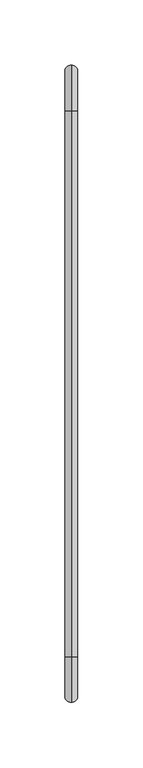
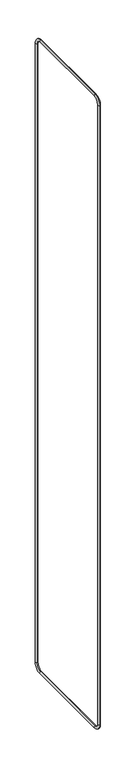
"""IFC4 building model written with IfcOpenShell, lengths in millimetres: beam geometry."""

from ifc_helpers import new_model, si_unit, point, frame, origin, place, context, project, spatial, circle_curve, ellipse_curve, trimmed, source, transform, mapped, element, save
from ifc_brep_helpers import cylinder_surface, revolved_surface, advanced_brep


def beam_3977fd45(model_context):
    return source(origin(), model_context, "Body", "AdvancedBrep", [
        advanced_brep(
        [(0.0, 289.5, 41.2687306), (0.0, 264.5, 16.2687306), (0.0, 264.5, 6.2687306), (0.0, 299.5, 41.2687306), (0.0, -155.5, 6.2687306), (0.0, -155.5, 16.2687306), (0.0, 289.5, 2950.0), (0.0, 299.5, 2950.0), (0.0, -190.5, 2950.0), (0.0, -180.5, 2950.0), (0.0, -180.5, 41.2687306), (0.0, -190.5, 41.2687306), (0.0, 264.5, 2985.0), (0.0, 264.5, 2975.0), (0.0, -155.5, 2975.0), (0.0, -155.5, 2985.0)],
        [
            (0, 1, circle_curve(frame((0.0, 264.5, 41.2687306), z_axis=(-1.0, 0.0, 0.0), x_axis=(0.0, 0.0, -1.0)), 25.0)),
            (1, 2, circle_curve(frame((0.0, 264.5, 11.2687306), z_axis=(0.0, 1.0, 0.0), x_axis=(0.0, 0.0, 1.0)), 5.0)),
            (2, 3, circle_curve(frame((0.0, 264.5, 41.2687306), z_axis=(1.0, 0.0, 0.0), x_axis=(0.0, 0.0, -1.0)), 35.0)),
            (3, 0, circle_curve(frame((0.0, 294.5, 41.2687306), z_axis=(0.0, 0.0, -1.0), x_axis=(0.0, -1.0, 0.0)), 5.0)),
            (2, 1, circle_curve(frame((0.0, 264.5, 11.2687306), z_axis=(0.0, 1.0, 0.0), x_axis=(0.0, 0.0, 1.0)), 5.0)),
            (0, 3, circle_curve(frame((0.0, 294.5, 41.2687306), z_axis=(0.0, 0.0, -1.0), x_axis=(0.0, -1.0, 0.0)), 5.0)),
            (4, 5, circle_curve(frame((0.0, -155.5, 11.2687306), z_axis=(0.0, 1.0, 0.0), x_axis=(0.0, 0.0, 1.0)), 5.0)),
            (5, 1),
            (2, 4),
            (0, 6),
            (6, 7, circle_curve(frame((0.0, 294.5, 2950.0), z_axis=(0.0, 0.0, -1.0), x_axis=(0.0, -1.0, 0.0)), 5.0)),
            (7, 3),
            (5, 4, circle_curve(frame((0.0, -155.5, 11.2687306), z_axis=(0.0, 1.0, 0.0), x_axis=(0.0, 0.0, 1.0)), 5.0)),
            (7, 6, circle_curve(frame((0.0, 294.5, 2950.0), z_axis=(0.0, 0.0, -1.0), x_axis=(0.0, -1.0, 0.0)), 5.0)),
            (8, 9, circle_curve(frame((0.0, -185.5, 2950.0), z_axis=(0.0, 0.0, -1.0), x_axis=(0.0, 1.0, 0.0)), 5.0)),
            (9, 10),
            (10, 11, circle_curve(frame((0.0, -185.5, 41.2687306), z_axis=(0.0, 0.0, 1.0), x_axis=(0.0, 1.0, 0.0)), 5.0)),
            (11, 8),
            (9, 8, circle_curve(frame((0.0, -185.5, 2950.0), z_axis=(0.0, 0.0, -1.0), x_axis=(0.0, 1.0, 0.0)), 5.0)),
            (11, 10, circle_curve(frame((0.0, -185.5, 41.2687306), z_axis=(0.0, 0.0, 1.0), x_axis=(0.0, 1.0, 0.0)), 5.0)),
            (4, 11, circle_curve(frame((0.0, -155.5, 41.2687306), z_axis=(-1.0, 0.0, 0.0), x_axis=(0.0, -1.0, 0.0)), 35.0)),
            (10, 5, circle_curve(frame((0.0, -155.5, 41.2687306), z_axis=(1.0, 0.0, 0.0), x_axis=(0.0, -1.0, 0.0)), 25.0)),
            (12, 7, circle_curve(frame((0.0, 264.5, 2950.0), z_axis=(-1.0, 0.0, 0.0), x_axis=(0.0, 1.0, 0.0)), 35.0)),
            (6, 13, circle_curve(frame((0.0, 264.5, 2950.0), z_axis=(1.0, 0.0, 0.0), x_axis=(0.0, 1.0, 0.0)), 25.0)),
            (13, 12, circle_curve(frame((0.0, 264.5, 2980.0), z_axis=(0.0, 1.0, 0.0), x_axis=(0.0, 0.0, -1.0)), 5.0)),
            (12, 13, circle_curve(frame((0.0, 264.5, 2980.0), z_axis=(0.0, 1.0, 0.0), x_axis=(0.0, 0.0, -1.0)), 5.0)),
            (13, 14),
            (14, 15, circle_curve(frame((0.0, -155.5, 2980.0), z_axis=(0.0, 1.0, 0.0), x_axis=(0.0, 0.0, -1.0)), 5.0)),
            (15, 12),
            (15, 14, circle_curve(frame((0.0, -155.5, 2980.0), z_axis=(0.0, 1.0, 0.0), x_axis=(0.0, 0.0, -1.0)), 5.0)),
            (8, 15, circle_curve(frame((0.0, -155.5, 2950.0), z_axis=(-1.0, 0.0, 0.0), x_axis=(0.0, 0.0, 1.0)), 35.0)),
            (14, 9, circle_curve(frame((0.0, -155.5, 2950.0), z_axis=(1.0, 0.0, 0.0), x_axis=(0.0, 0.0, 1.0)), 25.0)),
        ],
        [
            revolved_surface(trimmed(ellipse_curve(frame((0.0, 264.5, 11.2687306), z_axis=(0.0, -1.0, 0.0), x_axis=(0.0, 0.0, 1.0)), 5.0, 5.0), [point((0.0, 264.5, 6.2687306))], [point((0.0, 264.5, 16.2687306))], True, "CARTESIAN"), (0.0, 264.5, 41.2687306), (1.0, 0.0, 0.0)),
            revolved_surface(trimmed(ellipse_curve(frame((0.0, 264.5, 11.2687306), z_axis=(0.0, -1.0, 0.0), x_axis=(0.0, 0.0, 1.0)), 5.0, 5.0), [point((0.0, 264.5, 16.2687306))], [point((0.0, 264.5, 6.2687306))], True, "CARTESIAN"), (0.0, 264.5, 41.2687306), (1.0, 0.0, 0.0)),
            cylinder_surface(frame((0.0, -155.5, 11.2687306), z_axis=(0.0, -1.0, 0.0), x_axis=(0.0, 0.0, 1.0)), 5.0),
            cylinder_surface(frame((0.0, 294.5, 41.2687306), z_axis=(0.0, 0.0, -1.0), x_axis=(0.0, -1.0, 0.0)), 5.0),
            cylinder_surface(frame((0.0, -185.5, 2950.0), z_axis=(0.0, 0.0, 1.0), x_axis=(0.0, 1.0, 0.0)), 5.0),
            revolved_surface(trimmed(ellipse_curve(frame((0.0, -185.5, 41.2687306), z_axis=(0.0, 0.0, 1.0), x_axis=(0.0, 1.0, 0.0)), 5.0, 5.0), [point((0.0, -180.5, 41.2687306))], [point((0.0, -190.5, 41.2687306))], True, "CARTESIAN"), (0.0, -155.5, 41.2687306), (1.0, 0.0, 0.0)),
            revolved_surface(trimmed(ellipse_curve(frame((0.0, -185.5, 41.2687306), z_axis=(0.0, 0.0, 1.0), x_axis=(0.0, 1.0, 0.0)), 5.0, 5.0), [point((0.0, -190.5, 41.2687306))], [point((0.0, -180.5, 41.2687306))], True, "CARTESIAN"), (0.0, -155.5, 41.2687306), (1.0, 0.0, 0.0)),
            revolved_surface(trimmed(ellipse_curve(frame((0.0, 294.5, 2950.0), z_axis=(0.0, 0.0, -1.0), x_axis=(0.0, -1.0, 0.0)), 5.0, 5.0), [point((0.0, 289.5, 2950.0))], [point((0.0, 299.5, 2950.0))], True, "CARTESIAN"), (0.0, 264.5, 2950.0), (1.0, 0.0, 0.0)),
            revolved_surface(trimmed(ellipse_curve(frame((0.0, 294.5, 2950.0), z_axis=(0.0, 0.0, -1.0), x_axis=(0.0, -1.0, 0.0)), 5.0, 5.0), [point((0.0, 299.5, 2950.0))], [point((0.0, 289.5, 2950.0))], True, "CARTESIAN"), (0.0, 264.5, 2950.0), (1.0, 0.0, 0.0)),
            cylinder_surface(frame((0.0, 264.5, 2980.0), z_axis=(0.0, 1.0, 0.0), x_axis=(0.0, 0.0, -1.0)), 5.0),
            revolved_surface(trimmed(ellipse_curve(frame((0.0, -155.5, 2980.0), z_axis=(0.0, 1.0, 0.0), x_axis=(0.0, 0.0, -1.0)), 5.0, 5.0), [point((0.0, -155.5, 2975.0))], [point((0.0, -155.5, 2985.0))], True, "CARTESIAN"), (0.0, -155.5, 2950.0), (1.0, 0.0, 0.0)),
            revolved_surface(trimmed(ellipse_curve(frame((0.0, -155.5, 2980.0), z_axis=(0.0, 1.0, 0.0), x_axis=(0.0, 0.0, -1.0)), 5.0, 5.0), [point((0.0, -155.5, 2985.0))], [point((0.0, -155.5, 2975.0))], True, "CARTESIAN"), (0.0, -155.5, 2950.0), (1.0, 0.0, 0.0)),
        ],
        [
            (0, [[1, 2, 3, 4]]),
            (1, [[-3, 5, -1, 6]]),
            (2, [[7, 8, -5, 9]]),
            (3, [[-6, 10, 11, 12]]),
            (2, [[13, -9, -2, -8]]),
            (3, [[-4, -12, 14, -10]]),
            (4, [[15, 16, 17, 18]]),
            (4, [[19, -18, 20, -16]]),
            (5, [[21, -17, 22, -7]]),
            (6, [[-22, -20, -21, -13]]),
            (7, [[23, -11, 24, 25]]),
            (8, [[-24, -14, -23, 26]]),
            (9, [[-25, 27, 28, 29]]),
            (9, [[-26, -29, 30, -27]]),
            (10, [[31, -28, 32, -15]]),
            (11, [[-32, -30, -31, -19]]),
        ],
    ),
    ])


if __name__ == "__main__":
    model = new_model("IFC4")
    model_context = context("Model", 3, world=origin())
    ifc_project = project(units=[si_unit("LENGTHUNIT", "METRE", prefix="MILLI")], contexts=[model_context])
    site = spatial("IfcSite", under=ifc_project)
    building = spatial("IfcBuilding", under=site)
    placement = place(None, origin())
    beam_shape = beam_3977fd45(model_context)
    element("IfcBeam", 1, at=placement, inside=building, context=model_context, shape_type="MappedRepresentation", body=[
        mapped(beam_shape, transform((0.0, 0.0, 0.0), x_axis=(1.0, 0.0, 0.0), y_axis=(0.0, 1.0, 0.0), z_axis=(0.0, 0.0, 1.0))),
    ])
    save(model, "model.ifc")
